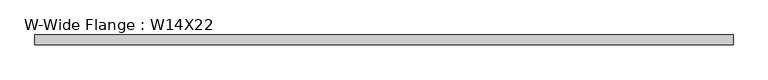
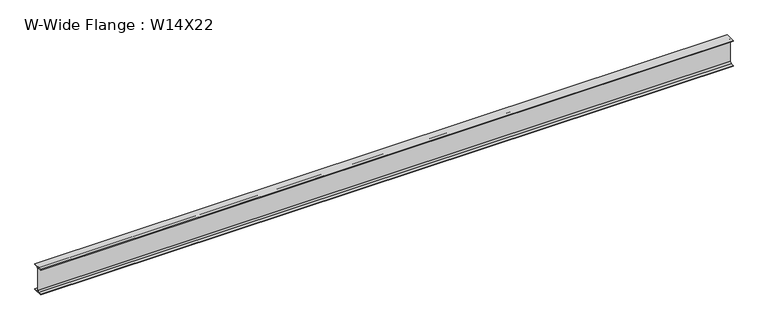
"""IFC4 building model written with IfcOpenShell, lengths in millimetres: beam geometry, W-Wide Flange : W14X22."""

from ifc_helpers import new_model, si_unit, point, frame, frame_2d, origin, place, context, project, spatial, polyline, circle_curve, trimmed, segment, composite_curve, outline, extrude, source, transform, mapped, element, save


def w_wide_flange_w14x22_6cb714f8(model_context):
    return source(origin(), model_context, "Body", "SweptSolid", [
        extrude(outline(composite_curve([segment(polyline([(63.5, -165.4472656), (63.5, -173.9800781), (-63.5, -173.9800781), (-63.5, -165.4472656), (-21.3816406, -165.4472656)]), True, "CONTINUOUS"), segment(trimmed(circle_curve(frame_2d((-21.3816406, -146.9925781)), 18.4546875), [point((-21.3816406, -165.4472656))], [point((-2.9269531, -146.9925781))], True, "CARTESIAN"), True, "CONTINUOUS"), segment(polyline([(-2.9269531, -146.9925781), (-2.9269531, 146.9925781)]), True, "CONTINUOUS"), segment(trimmed(circle_curve(frame_2d((-21.3816406, 146.9925781)), 18.4546875), [point((-2.9269531, 146.9925781))], [point((-21.3816406, 165.4472656))], True, "CARTESIAN"), True, "CONTINUOUS"), segment(polyline([(-21.3816406, 165.4472656), (-63.5, 165.4472656), (-63.5, 173.9800781), (63.5, 173.9800781), (63.5, 165.4472656), (21.3816406, 165.4472656)]), True, "CONTINUOUS"), segment(trimmed(circle_curve(frame_2d((21.3816406, 146.9925781)), 18.4546875), [point((21.3816406, 165.4472656))], [point((2.9269531, 146.9925781))], True, "CARTESIAN"), True, "CONTINUOUS"), segment(polyline([(2.9269531, 146.9925781), (2.9269531, -146.9925781)]), True, "CONTINUOUS"), segment(trimmed(circle_curve(frame_2d((21.3816406, -146.9925781)), 18.4546875), [point((2.9269531, -146.9925781))], [point((21.3816406, -165.4472656))], True, "CARTESIAN"), True, "CONTINUOUS"), segment(polyline([(21.3816406, -165.4472656), (63.5, -165.4472656)]), True, "CONTINUOUS")], self_intersect=False)), frame((-4457.6503906, 0.0, 0.0), z_axis=(1.0, 0.0, 0.0), x_axis=(0.0, 1.0, 0.0)), (0.0, 0.0, 1.0), 8915.3007812),
    ])


if __name__ == "__main__":
    model = new_model("IFC4")
    model_context = context("Model", 3, world=origin())
    ifc_project = project(units=[si_unit("LENGTHUNIT", "METRE", prefix="MILLI")], contexts=[model_context])
    site = spatial("IfcSite", under=ifc_project)
    building = spatial("IfcBuilding", under=site)
    placement = place(None, origin())
    w_wide_flange_w14x22_shape = w_wide_flange_w14x22_6cb714f8(model_context)
    element("IfcBeam", 1, ObjectType="W-Wide Flange : W14X22", at=placement, inside=building, context=model_context, shape_type="MappedRepresentation", body=[
        mapped(w_wide_flange_w14x22_shape, transform((0.0, 0.0, 0.0), x_axis=(1.0, 0.0, 0.0), y_axis=(0.0, 1.0, 0.0), z_axis=(0.0, 0.0, 1.0))),
    ])
    save(model, "model.ifc")
